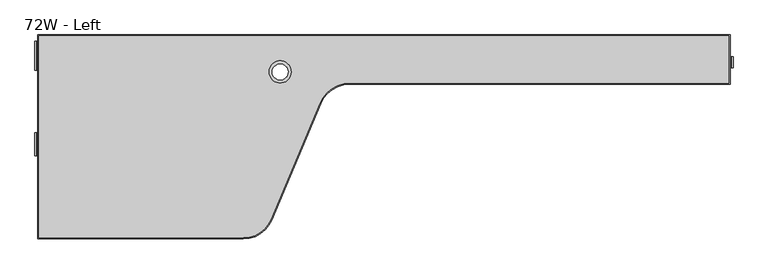
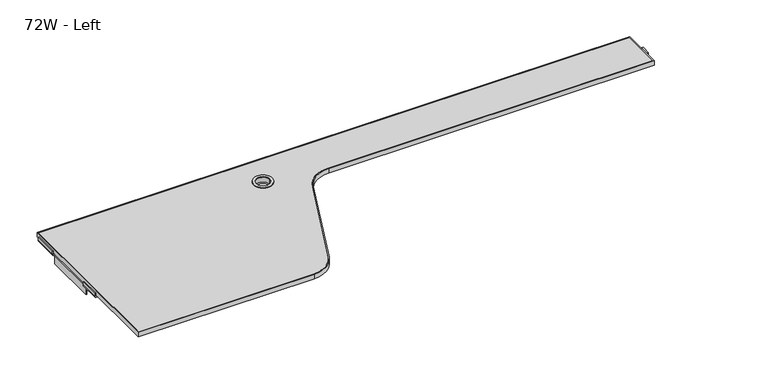
"""IFC4 building model written with IfcOpenShell, lengths in millimetres: furniture geometry, 72W - Left."""

from ifc_helpers import new_model, si_unit, point, frame, frame_2d, origin, place, context, project, spatial, polyline, circle_curve, trimmed, segment, composite_curve, outline, extrude, faceted_brep, source, transform, mapped, element, save
from ifc_brep_helpers import plane_surface, cylinder_surface, revolved_surface, advanced_brep


def furniture_72w_left_1c97e4c4(model_context):
    return source(origin(), model_context, "Body", "SolidModel", [
        faceted_brep([(890.710046, 798.3804985, 1041.4865257), (890.710046, 798.3804985, 984.3365257), (839.910046, 798.3804985, 984.3365257), (839.910046, 798.3804985, 1041.4865257), (679.4202293, 353.2724638, 1039.9118156), (700.0875061, 353.2724638, 1039.9118156), (700.0875061, 353.2724638, 1008.3955413), (679.4202293, 353.2724638, 1008.3955413), (679.4202293, 353.2724638, 1007.3133509), (702.2312326, 353.2724638, 1007.3133509), (702.2312326, 353.2724638, 1041.4865257), (679.4202293, 353.2724638, 1041.4865257)], [[[0, 1, 2, 3]], [[4, 5, 6, 7, 8, 9, 10, 11]], [[5, 4, 0]], [[6, 5, 0]], [[7, 6, 0, 3]], [[8, 7, 3, 2]], [[9, 8, 2, 1]], [[10, 9, 1, 0]], [[11, 10, 0]], [[4, 11, 0]]]),
        faceted_brep([(176.3325988, 298.0312383, 1041.4865257), (176.3325988, 353.2724638, 1041.4865257), (176.3325988, 353.2724638, 1010.7646869), (176.3325988, 337.4886594, 1010.7646869), (176.3325988, 309.9526244, 1031.5145776), (176.3325988, 309.9526244, 1040.1793583), (176.3325988, 298.0312383, 1040.1793583), (678.7163849, 298.0312383, 1041.4865257), (702.7713731, 353.2724638, 1041.4865257), (702.7713731, 353.2724638, 1010.7646869), (695.8982594, 337.4886594, 1010.7646869), (683.9075949, 309.9526244, 1031.5145776), (683.9075949, 309.9526244, 1040.1793583), (678.7163849, 298.0312383, 1040.1793583)], [[[0, 1, 2, 3, 4, 5, 6]], [[1, 0, 7, 8]], [[2, 1, 8, 9]], [[3, 2, 9, 10]], [[4, 3, 10, 11]], [[5, 4, 11, 12]], [[6, 5, 12, 13]], [[0, 6, 13, 7]], [[8, 7, 13, 12, 11, 10, 9]]]),
        extrude(outline(composite_curve([segment(trimmed(circle_curve(frame_2d((1043.0122331, 1931.4961898)), 1.7676499), [point((1043.0122331, 1933.2638397))], [point((1041.2445831, 1931.4961898))], True, "CARTESIAN"), True, "CONTINUOUS"), segment(polyline([(1041.2445831, 1931.4961898), (1041.2445831, 1908.5962259), (1038.2067598, 1908.5962259), (1038.2067598, 1931.09999)]), True, "CONTINUOUS"), segment(trimmed(circle_curve(frame_2d((1043.4087962, 1931.09999)), 5.2020364), [point((1038.2067598, 1931.09999))], [point((1043.4087962, 1936.3020264))], False, "CARTESIAN"), True, "CONTINUOUS"), segment(polyline([(1043.4087962, 1936.3020264), (1052.5780574, 1936.3020264), (1052.5780574, 1933.2638397), (1043.0122331, 1933.2638397)]), True, "CONTINUOUS")], self_intersect=False)), frame((0.0, 731.0843589, 0.0), z_axis=(0.0, 1.0, 0.0), x_axis=(0.0, 0.0, 1.0)), (0.0, 0.0, 1.0), 28.5750242),
        extrude(outline(composite_curve([segment(polyline([(153.4, 294.1411651), (153.4, 812.4281826), (1925.05, 812.4281826), (1925.05, 691.0157049), (952.3033924, 691.0157049)]), True, "CONTINUOUS"), segment(trimmed(circle_curve(frame_2d((952.3033924, 606.3077967)), 84.7079081), [point((952.3033924, 691.0157049))], [point((874.2002094, 639.0999071))], True, "CARTESIAN"), True, "CONTINUOUS"), segment(polyline([(874.2002094, 639.0999071), (748.9750264, 340.8426346)]), True, "CONTINUOUS"), segment(trimmed(circle_curve(frame_2d((678.7163849, 370.3411651)), 76.2), [point((748.9750264, 340.8426346))], [point((678.7163849, 294.1411651))], False, "CARTESIAN"), True, "CONTINUOUS"), segment(polyline([(678.7163849, 294.1411651), (153.4, 294.1411651)]), True, "CONTINUOUS")], self_intersect=False), holes=[composite_curve([segment(trimmed(circle_curve(frame_2d((773.0295779, 720.0618051)), 20.4182782), [point((752.6112996, 720.0618051))], [point((793.4478561, 720.0618051))], True, "CARTESIAN"), True, "CONTINUOUS"), segment(trimmed(circle_curve(frame_2d((773.0295779, 720.0618051)), 20.4182782), [point((793.4478561, 720.0618051))], [point((752.6112996, 720.0618051))], True, "CARTESIAN"), True, "CONTINUOUS")], self_intersect=False)]), frame((0.0, 0.0, 1041.4865257), z_axis=(0.0, 0.0, 1.0), x_axis=(1.0, 0.0, 0.0)), (0.0, 0.0, 1.0), 13.9699806),
        advanced_brep(
        [(150.6059845, 291.3471738, 1055.4565063), (678.6792673, 291.3471738, 1055.4565063), (751.5511765, 339.7610219, 1055.4565063), (876.7763596, 638.0182943, 1055.4565063), (952.3033924, 688.2217049, 1055.4565063), (1928.6059845, 688.2217075, 1055.4565063), (1928.6059845, 815.2221738, 1055.4565063), (150.6059845, 815.2221738, 1055.4565063), (952.3033924, 691.0157049, 1055.4565063), (874.2002094, 639.0999071, 1055.4565063), (748.9750264, 340.8426346, 1055.4565063), (678.7163849, 294.1411651, 1055.4565063), (153.4, 294.1411651, 1055.4565063), (153.4, 812.4281826, 1055.4565063), (1925.05, 812.4281826, 1055.4565063), (1925.05, 691.0157049, 1055.4565063), (150.6059845, 291.3471738, 1041.4865257), (150.6059845, 815.2221738, 1041.4865257), (1928.6059845, 815.2221738, 1041.4865257), (1928.6059845, 688.2217075, 1041.4865257), (952.3033924, 688.2217075, 1041.4865257), (876.7763596, 638.0182943, 1041.4865257), (751.5511765, 339.7610219, 1041.4865257), (678.6792673, 291.3471738, 1041.4865257), (952.3033924, 691.0157049, 1041.4865257), (1925.05, 691.0157049, 1041.4865257), (1925.05, 812.4281826, 1041.4865257), (153.4, 812.4281826, 1041.4865257), (153.4, 294.1411651, 1041.4865257), (678.7163849, 294.1411651, 1041.4865257), (748.9750264, 340.8426346, 1041.4865257), (874.2002094, 639.0999071, 1041.4865257)],
        [
            (0, 1),
            (1, 2, circle_curve(frame((678.7163849, 370.3411651, 1055.4565063), z_axis=(0.0, 0.0, 1.0), x_axis=(-0.4063186561221975, 0.913731442868774, 0.0)), 78.994)),
            (2, 3),
            (3, 4, circle_curve(frame((952.3033924, 606.3077967, 1055.4565063), z_axis=(0.0, 0.0, -1.0), x_axis=(-0.4063186561221975, 0.913731442868774, 0.0)), 81.9139081)),
            (4, 5),
            (5, 6),
            (6, 7),
            (7, 0),
            (8, 9, circle_curve(frame((952.3033924, 606.3077967, 1055.4565063), z_axis=(0.0, 0.0, 1.0), x_axis=(-0.4063186561221975, 0.913731442868774, 0.0)), 84.7079081)),
            (9, 10),
            (10, 11, circle_curve(frame((678.7163849, 370.3411651, 1055.4565063), z_axis=(0.0, 0.0, -1.0), x_axis=(-0.4063186561221975, 0.913731442868774, 0.0)), 76.2)),
            (11, 12),
            (12, 13),
            (13, 14),
            (14, 15),
            (15, 8),
            (16, 17),
            (17, 18),
            (18, 19),
            (19, 20),
            (20, 21, circle_curve(frame((952.3033924, 606.3077967, 1041.4865257), z_axis=(0.0, 0.0, 1.0), x_axis=(-0.4063186561221975, 0.913731442868774, 0.0)), 81.9139081)),
            (21, 22),
            (22, 23, circle_curve(frame((678.7163849, 370.3411651, 1041.4865257), z_axis=(0.0, 0.0, -1.0), x_axis=(-0.4063186561221975, 0.913731442868774, 0.0)), 78.994)),
            (23, 16),
            (24, 25),
            (25, 26),
            (26, 27),
            (27, 28),
            (28, 29),
            (29, 30, circle_curve(frame((678.7163849, 370.3411651, 1041.4865257), z_axis=(0.0, 0.0, 1.0), x_axis=(-0.4063186561221975, 0.913731442868774, 0.0)), 76.2)),
            (30, 31),
            (31, 24, circle_curve(frame((952.3033924, 606.3077967, 1041.4865257), z_axis=(0.0, 0.0, -1.0), x_axis=(-0.4063186561221975, 0.913731442868774, 0.0)), 84.7079081)),
            (8, 24),
            (31, 9),
            (30, 10),
            (29, 11),
            (28, 12),
            (27, 13),
            (26, 14),
            (25, 15),
            (0, 16),
            (23, 1),
            (22, 2),
            (21, 3),
            (20, 4),
            (19, 5),
            (18, 6),
            (17, 7),
        ],
        [
            plane_surface(frame((917.884989, 683.7080759, 1055.4565063), z_axis=(0.0, 0.0, 1.0000000000000002), x_axis=(-0.913731442868774, -0.40631865612219753, 0.0))),
            plane_surface(frame((917.884989, 683.7080759, 1041.4865257), z_axis=(0.0, 0.0, -1.0000000000000002), x_axis=(0.913731442868774, 0.40631865612219753, 0.0))),
            cylinder_surface(frame((952.3033924, 606.3077967, 1041.4865257), z_axis=(0.0, 0.0, 1.0), x_axis=(-0.4063186561221975, 0.913731442868774, 0.0)), 84.7079081),
            plane_surface(frame((874.2002094, 639.0999071, 1055.4565063), z_axis=(-0.9220294155296609, 0.3871198224039064, 0.0), x_axis=(0.0, 0.0, -1.0))),
            revolved_surface(polyline([(647.7549033034885, 439.9675010466006, 1041.4865257), (647.7549033034885, 439.9675010466006, 1055.4565063)]), (678.7163849, 370.3411651, 1041.4865257), (0.0, 0.0, -1.0)),
            plane_surface(frame((678.7163849, 294.1411651, 1055.4565063), z_axis=(0.0, 1.0, 0.0), x_axis=(0.0, 0.0, -1.0))),
            plane_surface(frame((153.4, 294.1411651, 1055.4565063), z_axis=(1.0, 0.0, 0.0), x_axis=(0.0, 0.0, -1.0))),
            plane_surface(frame((153.4, 812.4281826, 1055.4565063), z_axis=(0.0, -1.0, 0.0), x_axis=(0.0, 0.0, -1.0))),
            plane_surface(frame((1925.05, 812.4281826, 1055.4565063), z_axis=(-1.0, 0.0, 0.0), x_axis=(0.0, 0.0, -1.0))),
            plane_surface(frame((1925.05, 691.0157049, 1055.4565063), z_axis=(0.0, 1.0, 0.0), x_axis=(0.0, 0.0, -1.0))),
            plane_surface(frame((150.6059845, 291.3471738, 1055.4565063), z_axis=(0.0, -1.0, 0.0), x_axis=(0.0, 0.0, -1.0))),
            cylinder_surface(frame((678.7163849, 370.3411651, 0.0), z_axis=(0.0, 0.0, 1.0), x_axis=(-0.4063186561221975, 0.913731442868774, 0.0)), 78.994),
            plane_surface(frame((751.5511765, 339.7610219, 1055.4565063), z_axis=(0.9220294155296608, -0.38711982240390674, 0.0), x_axis=(0.0, 0.0, -1.0))),
            revolved_surface(polyline([(919.0202433430908, 681.1551101392332, 1041.4865257), (919.0202433430908, 681.1551101392332, 1055.4565063)]), (952.3033924, 606.3077967, 0.0), (0.0, 0.0, -1.0)),
            plane_surface(frame((952.3033924, 688.2217075, 1055.4565063), z_axis=(0.0, -1.0, 0.0), x_axis=(0.0, 0.0, -1.0))),
            plane_surface(frame((1928.6059845, 688.2217075, 1055.4565063), z_axis=(1.0, 0.0, 0.0), x_axis=(0.0, 0.0, -1.0))),
            plane_surface(frame((1928.6059845, 815.2221738, 1055.4565063), z_axis=(0.0, 1.0, 0.0), x_axis=(0.0, 0.0, -1.0))),
            plane_surface(frame((150.6059845, 815.2221738, 1055.4565063), z_axis=(-1.0, 0.0, 0.0), x_axis=(0.0, 0.0, -1.0))),
        ],
        [
            (0, [[1, 2, 3, 4, 5, 6, 7, 8], [9, 10, 11, 12, 13, 14, 15, 16]]),
            (1, [[17, 18, 19, 20, 21, 22, 23, 24], [25, 26, 27, 28, 29, 30, 31, 32]]),
            (2, [[-9, 33, -32, 34]]),
            (3, [[-10, -34, -31, 35]]),
            (4, [[-11, -35, -30, 36]]),
            (5, [[-12, -36, -29, 37]]),
            (6, [[-13, -37, -28, 38]]),
            (7, [[-14, -38, -27, 39]]),
            (8, [[-15, -39, -26, 40]]),
            (9, [[-16, -40, -25, -33]]),
            (10, [[-1, 41, -24, 42]]),
            (11, [[-2, -42, -23, 43]]),
            (12, [[-3, -43, -22, 44]]),
            (13, [[-4, -44, -21, 45]]),
            (14, [[-5, -45, -20, 46]]),
            (15, [[-6, -46, -19, 47]]),
            (16, [[-7, -47, -18, 48]]),
            (17, [[-8, -48, -17, -41]]),
        ],
    ),
        advanced_brep(
        [(173.2955749, 724.9765806, 1033.5003172), (176.3325988, 724.9765806, 1033.5003172), (176.3325988, 724.9765806, 1035.9407705), (171.0287862, 724.9765806, 1041.2445831), (148.1288223, 724.9765806, 1041.2445831), (146.3611724, 724.9765806, 1043.0122331), (146.3611724, 724.9765806, 1052.5780574), (143.3229857, 724.9765806, 1052.5780574), (143.3229857, 724.9765806, 1043.4087962), (148.5250221, 724.9765806, 1038.2067598), (171.3677403, 724.9765806, 1038.2067598), (173.2955749, 724.9765806, 1036.2789253), (173.2955749, 564.321009, 1033.5003172), (176.3325988, 564.321009, 1033.5003172), (173.2955749, 564.321009, 1036.2789253), (171.3677403, 564.321009, 1038.2067598), (148.5250221, 564.321009, 1038.2067598), (143.3229857, 564.321009, 1043.4087962), (143.3229857, 564.321009, 1052.5780574), (146.3611724, 564.321009, 1052.5780574), (146.3611724, 564.321009, 1043.0122331), (148.1288223, 564.321009, 1041.2445831), (171.0287862, 564.321009, 1041.2445831), (176.3325988, 564.321009, 1035.9407705), (173.2955749, 505.2663324, 1033.5003172), (176.3325988, 505.2663324, 1033.5003172), (176.3325988, 505.2663324, 1035.9407705), (171.0287862, 505.2663324, 1041.2445831), (148.1288223, 505.2663324, 1041.2445831), (146.3611724, 505.2663324, 1043.0122331), (146.3611724, 505.2663324, 1052.5780574), (143.3229857, 505.2663324, 1052.5780574), (143.3229857, 505.2663324, 1043.4087962), (148.5250221, 505.2663324, 1038.2067598), (171.3677403, 505.2663324, 1038.2067598), (173.2955749, 505.2663324, 1036.2789253), (173.2955749, 348.2448747, 1033.5003172), (176.3325988, 348.2448747, 1033.5003172), (176.3325988, 798.5617693, 1033.5003172), (173.2955749, 798.5617693, 1033.5003172), (173.2955749, 798.5617693, 1036.2789253), (171.3677403, 798.5617693, 1038.2067598), (148.5250221, 798.5617693, 1038.2067598), (143.3229857, 798.5617693, 1043.4087962), (143.3229857, 798.5617693, 1052.5780574), (146.3611724, 798.5617693, 1052.5780574), (146.3611724, 798.5617693, 1043.0122331), (148.1288223, 798.5617693, 1041.2445831), (171.0287862, 798.5617693, 1041.2445831), (176.3325988, 798.5617693, 1035.9407705), (176.3325988, 794.9607992, 1010.7646869), (173.2955749, 794.9607992, 1010.7646869), (173.2955749, 348.2448747, 1010.7646869), (176.3325988, 348.2448747, 1010.7646869)],
        [
            (0, 1),
            (1, 2),
            (2, 3, circle_curve(frame((171.0287862, 724.9765806, 1035.9407705), z_axis=(0.0, -1.0, 0.0), x_axis=(-1.0, 0.0, 0.0)), 5.3038126)),
            (3, 4),
            (4, 5, circle_curve(frame((148.1288223, 724.9765806, 1043.0122331), z_axis=(0.0, 1.0, 0.0), x_axis=(-1.0, 0.0, 0.0)), 1.7676499)),
            (5, 6),
            (6, 7),
            (7, 8),
            (8, 9, circle_curve(frame((148.5250221, 724.9765806, 1043.4087962), z_axis=(0.0, -1.0, 0.0), x_axis=(-1.0, 0.0, 0.0)), 5.2020364)),
            (9, 10),
            (10, 11, circle_curve(frame((171.3677403, 724.9765806, 1036.2789253), z_axis=(0.0, 1.0, 0.0), x_axis=(-1.0, 0.0, 0.0)), 1.9278345)),
            (11, 0),
            (0, 12),
            (12, 13),
            (13, 1),
            (12, 14),
            (14, 15, circle_curve(frame((171.3677403, 564.321009, 1036.2789253), z_axis=(0.0, -1.0, 0.0), x_axis=(-1.0, 0.0, 0.0)), 1.9278345)),
            (15, 16),
            (16, 17, circle_curve(frame((148.5250221, 564.321009, 1043.4087962), z_axis=(0.0, 1.0, 0.0), x_axis=(-1.0, 0.0, 0.0)), 5.2020364)),
            (17, 18),
            (18, 19),
            (19, 20),
            (20, 21, circle_curve(frame((148.1288223, 564.321009, 1043.0122331), z_axis=(0.0, -1.0, 0.0), x_axis=(-1.0, 0.0, 0.0)), 1.7676499)),
            (21, 22),
            (22, 23, circle_curve(frame((171.0287862, 564.321009, 1035.9407705), z_axis=(0.0, 1.0, 0.0), x_axis=(-1.0, 0.0, 0.0)), 5.3038126)),
            (23, 13),
            (24, 25),
            (25, 26),
            (26, 27, circle_curve(frame((171.0287862, 505.2663324, 1035.9407705), z_axis=(0.0, -1.0, 0.0), x_axis=(-1.0, 0.0, 0.0)), 5.3038126)),
            (27, 28),
            (28, 29, circle_curve(frame((148.1288223, 505.2663324, 1043.0122331), z_axis=(0.0, 1.0, 0.0), x_axis=(-1.0, 0.0, 0.0)), 1.7676499)),
            (29, 30),
            (30, 31),
            (31, 32),
            (32, 33, circle_curve(frame((148.5250221, 505.2663324, 1043.4087962), z_axis=(0.0, -1.0, 0.0), x_axis=(-1.0, 0.0, 0.0)), 5.2020364)),
            (33, 34),
            (34, 35, circle_curve(frame((171.3677403, 505.2663324, 1036.2789253), z_axis=(0.0, 1.0, 0.0), x_axis=(-1.0, 0.0, 0.0)), 1.9278345)),
            (35, 24),
            (24, 36),
            (36, 37),
            (37, 25),
            (38, 39),
            (39, 40),
            (40, 41, circle_curve(frame((171.3677403, 798.5617693, 1036.2789253), z_axis=(0.0, -1.0, 0.0), x_axis=(-1.0, 0.0, 0.0)), 1.9278345)),
            (41, 42),
            (42, 43, circle_curve(frame((148.5250221, 798.5617693, 1043.4087962), z_axis=(0.0, 1.0, 0.0), x_axis=(-1.0, 0.0, 0.0)), 5.2020364)),
            (43, 44),
            (44, 45),
            (45, 46),
            (46, 47, circle_curve(frame((148.1288223, 798.5617693, 1043.0122331), z_axis=(0.0, -1.0, 0.0), x_axis=(-1.0, 0.0, 0.0)), 1.7676499)),
            (47, 48),
            (48, 49, circle_curve(frame((171.0287862, 798.5617693, 1035.9407705), z_axis=(0.0, 1.0, 0.0), x_axis=(-1.0, 0.0, 0.0)), 5.3038126)),
            (49, 38),
            (38, 50),
            (50, 51),
            (51, 39),
            (52, 53),
            (53, 37),
            (36, 52),
            (28, 21),
            (20, 29),
            (4, 47),
            (46, 5),
            (27, 22),
            (3, 48),
            (26, 23),
            (2, 49),
            (53, 50),
            (35, 14),
            (11, 40),
            (51, 52),
            (34, 15),
            (10, 41),
            (33, 16),
            (9, 42),
            (32, 17),
            (8, 43),
            (31, 18),
            (7, 44),
            (30, 19),
            (6, 45),
        ],
        [
            plane_surface(frame((-124.7902, 724.9765806, 1074.5657681), z_axis=(0.0, -1.0, 0.0), x_axis=(1.0, 0.0, 0.0))),
            plane_surface(frame((-124.7902, 724.9765806, 1033.5003172), z_axis=(0.0, 0.0, 1.0), x_axis=(1.0, 0.0, 0.0))),
            plane_surface(frame((-124.7902, 564.321009, 1033.5003172), z_axis=(0.0, 1.0, 0.0), x_axis=(1.0, 0.0, 0.0))),
            plane_surface(frame((-124.7902, 505.2663324, 1074.5657681), z_axis=(0.0, -1.0, 0.0), x_axis=(1.0, 0.0, 0.0))),
            plane_surface(frame((-124.7902, 505.2663324, 1033.5003172), z_axis=(0.0, 0.0, 1.0), x_axis=(1.0, 0.0, 0.0))),
            plane_surface(frame((-124.7902, 798.5617693, 1033.5003172), z_axis=(0.0, 1.0, 0.0), x_axis=(1.0, 0.0, 0.0))),
            plane_surface(frame((-124.7902, 791.6082574, 989.5975705), z_axis=(0.0, 0.9876883405951379, -0.1564344650402303), x_axis=(1.0, 0.0, 0.0))),
            plane_surface(frame((146.3611724, 348.2448747, 1052.5780574), z_axis=(0.0, -1.0, 0.0), x_axis=(0.0, 0.0, 1.0))),
            revolved_surface(polyline([(146.3611724, 564.321009, 1043.0122331), (146.3611724, 505.2663324, 1043.0122331)]), (148.1288223, 815.2221738, 1043.0122331), (0.0, 1.0, 0.0)),
            revolved_surface(polyline([(146.3611724, 798.5617693, 1043.0122331), (146.3611724, 724.9765806, 1043.0122331)]), (148.1288223, 815.2221738, 1043.0122331), (0.0, 1.0, 0.0)),
            plane_surface(frame((171.0287862, 348.2448747, 1041.2445831), z_axis=(0.0, 0.0, 1.0), x_axis=(0.0, 1.0, 0.0))),
            cylinder_surface(frame((171.0287862, 815.2221738, 1035.9407705), z_axis=(0.0, -1.0, 0.0), x_axis=(-1.0, 0.0, 0.0)), 5.3038126),
            plane_surface(frame((176.3325988, 348.2448747, 1010.7646869), z_axis=(1.0, 0.0, 0.0), x_axis=(0.0, 1.0, 0.0))),
            plane_surface(frame((173.2955749, 348.2448747, 1036.2789253), z_axis=(-1.0, 0.0, 0.0), x_axis=(0.0, 1.0, 0.0))),
            revolved_surface(polyline([(169.43990580000002, 564.321009, 1036.2789253), (169.43990580000002, 505.2663324, 1036.2789253)]), (171.3677403, 815.2221738, 1036.2789253), (0.0, 1.0, 0.0)),
            revolved_surface(polyline([(169.43990580000002, 798.5617693, 1036.2789253), (169.43990580000002, 724.9765806, 1036.2789253)]), (171.3677403, 815.2221738, 1036.2789253), (0.0, 1.0, 0.0)),
            plane_surface(frame((148.5250221, 348.2448747, 1038.2067598), z_axis=(0.0, 0.0, -1.0), x_axis=(0.0, 1.0, 0.0))),
            cylinder_surface(frame((148.5250221, 815.2221738, 1043.4087962), z_axis=(0.0, -1.0, 0.0), x_axis=(-1.0, 0.0, 0.0)), 5.2020364),
            plane_surface(frame((143.3229857, 348.2448747, 1052.5780574), z_axis=(-1.0, 0.0, 0.0), x_axis=(0.0, 1.0, 0.0))),
            plane_surface(frame((146.3611724, 348.2448747, 1052.5780574), z_axis=(0.0, 0.0, 1.0), x_axis=(0.0, 1.0, 0.0))),
            plane_surface(frame((146.3611724, 348.2448747, 1043.0122331), z_axis=(1.0, 0.0, 0.0), x_axis=(0.0, 1.0, 0.0))),
            plane_surface(frame((173.2955749, 348.2448747, 1010.7646869), z_axis=(0.0, 0.0, -1.0), x_axis=(0.0, 1.0, 0.0))),
        ],
        [
            (0, [[1, 2, 3, 4, 5, 6, 7, 8, 9, 10, 11, 12]]),
            (1, [[-1, 13, 14, 15]]),
            (2, [[-14, 16, 17, 18, 19, 20, 21, 22, 23, 24, 25, 26]]),
            (3, [[27, 28, 29, 30, 31, 32, 33, 34, 35, 36, 37, 38]]),
            (4, [[-27, 39, 40, 41]]),
            (5, [[42, 43, 44, 45, 46, 47, 48, 49, 50, 51, 52, 53]]),
            (6, [[-42, 54, 55, 56]]),
            (7, [[57, 58, -40, 59]]),
            (8, [[60, -23, 61, -31]]),
            (9, [[62, -50, 63, -5]]),
            (10, [[-60, -30, 64, -24]]),
            (10, [[-62, -4, 65, -51]]),
            (11, [[-64, -29, 66, -25]]),
            (11, [[-65, -3, 67, -52]]),
            (12, [[-58, 68, -54, -53, -67, -2, -15, -26, -66, -28, -41]]),
            (13, [[-59, -39, -38, 69, -16, -13, -12, 70, -43, -56, 71]]),
            (14, [[-69, -37, 72, -17]]),
            (15, [[-70, -11, 73, -44]]),
            (16, [[-72, -36, 74, -18]]),
            (16, [[-73, -10, 75, -45]]),
            (17, [[-74, -35, 76, -19]]),
            (17, [[-75, -9, 77, -46]]),
            (18, [[-76, -34, 78, -20]]),
            (18, [[-77, -8, 79, -47]]),
            (19, [[-78, -33, 80, -21]]),
            (19, [[-79, -7, 81, -48]]),
            (20, [[-80, -32, -61, -22]]),
            (20, [[-81, -6, -63, -49]]),
            (21, [[-57, -71, -55, -68]]),
        ],
    ),
        extrude(outline(composite_curve([segment(polyline([(1010.7646869, 153.4), (1036.4895002, 153.4)]), True, "CONTINUOUS"), segment(trimmed(circle_curve(frame_2d((1036.4895002, 155.1172597)), 1.7172597), [point((1036.4895002, 153.4))], [point((1038.2067598, 155.1172597))], True, "CARTESIAN"), True, "CONTINUOUS"), segment(polyline([(1038.2067598, 155.1172597), (1038.2067598, 171.3677403)]), True, "CONTINUOUS"), segment(trimmed(circle_curve(frame_2d((1036.2789253, 171.3677403)), 1.9278345), [point((1038.2067598, 171.3677403))], [point((1036.325297, 173.2950171))], True, "CARTESIAN"), True, "CONTINUOUS"), segment(polyline([(1036.325297, 173.2950171), (1036.325297, 176.3186413)]), True, "CONTINUOUS"), segment(trimmed(circle_curve(frame_2d((1035.9407705, 171.0287862)), 5.3038126), [point((1036.325297, 176.3186413))], [point((1041.2445831, 171.0287862))], False, "CARTESIAN"), True, "CONTINUOUS"), segment(polyline([(1041.2445831, 171.0287862), (1041.2445831, 155.5630502)]), True, "CONTINUOUS"), segment(trimmed(circle_curve(frame_2d((1036.2875174, 155.5630502)), 4.9570657), [point((1041.2445831, 155.5630502))], [point((1036.2875174, 150.6059845))], False, "CARTESIAN"), True, "CONTINUOUS"), segment(polyline([(1036.2875174, 150.6059845), (1010.7646869, 150.6059845), (1010.7646869, 153.4)]), True, "CONTINUOUS")], self_intersect=False)), frame((0.0, 564.3211323, 0.0), z_axis=(0.0, 1.0, 0.0), x_axis=(0.0, 0.0, 1.0)), (0.0, 0.0, 1.0), 160.6554483),
        extrude(outline(composite_curve([segment(trimmed(circle_curve(frame_2d((773.0295779, 720.0618051)), 28.3365682), [point((744.6930097, 720.0618051))], [point((801.3661461, 720.0618051))], False, "CARTESIAN"), True, "CONTINUOUS"), segment(trimmed(circle_curve(frame_2d((773.0295779, 720.0618051)), 28.3365682), [point((801.3661461, 720.0618051))], [point((744.6930097, 720.0618051))], False, "CARTESIAN"), True, "CONTINUOUS")], self_intersect=False), holes=[composite_curve([segment(trimmed(circle_curve(frame_2d((773.0295779, 720.0618051)), 20.4182782), [point((752.6112996, 720.0618051))], [point((793.4478561, 720.0618051))], True, "CARTESIAN"), True, "CONTINUOUS"), segment(trimmed(circle_curve(frame_2d((773.0295779, 720.0618051)), 20.4182782), [point((793.4478561, 720.0618051))], [point((752.6112996, 720.0618051))], True, "CARTESIAN"), True, "CONTINUOUS")], self_intersect=False)]), frame((0.0, 0.0, 1036.8869459), z_axis=(0.0, 0.0, 1.0), x_axis=(1.0, 0.0, 0.0)), (0.0, 0.0, 1.0), 21.3373179),
    ])


if __name__ == "__main__":
    model = new_model("IFC4")
    model_context = context("Model", 3, world=origin())
    ifc_project = project(units=[si_unit("LENGTHUNIT", "METRE", prefix="MILLI")], contexts=[model_context])
    site = spatial("IfcSite", under=ifc_project)
    building = spatial("IfcBuilding", under=site)
    placement = place(None, origin())
    furniture_72w_left_shape = furniture_72w_left_1c97e4c4(model_context)
    element("IfcFurniture", 1, ObjectType="72W - Left", at=placement, inside=building, context=model_context, shape_type="MappedRepresentation", body=[
        mapped(furniture_72w_left_shape, transform((0.0, 0.0, 0.0), x_axis=(1.0, 0.0, 0.0), y_axis=(0.0, 1.0, 0.0), z_axis=(0.0, 0.0, 1.0))),
    ])
    save(model, "model.ifc")
